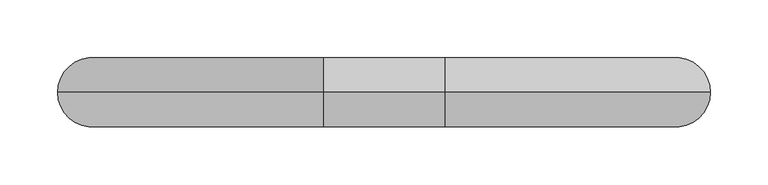
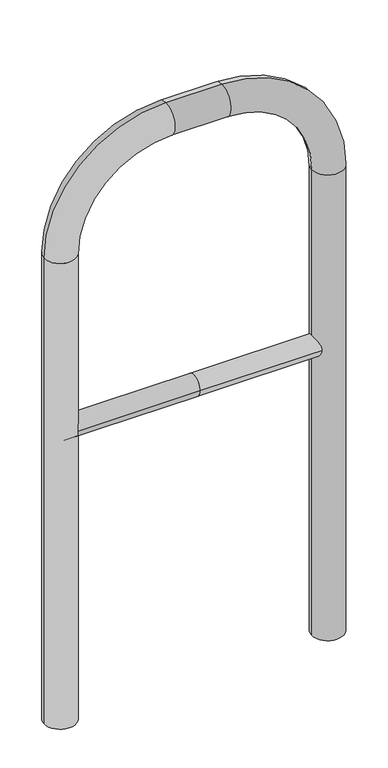
"""IFC4 building model written with IfcOpenShell, lengths in millimetres: proxy geometry."""

from ifc_helpers import new_model, si_unit, point, frame, frame_2d, origin, place, context, project, spatial, circle_curve, ellipse_curve, trimmed, segment, composite_curve, outline, extrude, source, transform, mapped, element, save
from ifc_brep_helpers import plane_surface, cylinder_surface, revolved_surface, advanced_brep


def generic_models_ee2435b5(model_context):
    return source(origin(), model_context, "Body", "SolidModel", [
        extrude(outline(composite_curve([segment(trimmed(circle_curve(frame_2d((0.0, 498.4778375)), 20.0), [point((-20.0, 498.4778375))], [point((20.0, 498.4778375))], False, "CARTESIAN"), True, "CONTINUOUS"), segment(trimmed(circle_curve(frame_2d((0.0, 498.4778375)), 20.0), [point((20.0, 498.4778375))], [point((-20.0, 498.4778375))], False, "CARTESIAN"), True, "CONTINUOUS")], self_intersect=False)), frame((-252.8439892, 0.0, 0.0), z_axis=(1.0, 0.0, 0.0), x_axis=(0.0, 1.0, 0.0)), (0.0, 0.0, 1.0), 252.8439892),
        extrude(outline(composite_curve([segment(trimmed(circle_curve(frame_2d((0.0, 498.4778375)), 20.0), [point((-20.0, 498.4778375))], [point((20.0, 498.4778375))], False, "CARTESIAN"), True, "CONTINUOUS"), segment(trimmed(circle_curve(frame_2d((0.0, 498.4778375)), 20.0), [point((20.0, 498.4778375))], [point((-20.0, 498.4778375))], False, "CARTESIAN"), True, "CONTINUOUS")], self_intersect=False)), frame((0.0, 0.0, 0.0), z_axis=(1.0, 0.0, 0.0), x_axis=(0.0, 1.0, 0.0)), (0.0, 0.0, 1.0), 252.8439892),
        advanced_brep(
        [(-222.8439892, 0.0, -80.0), (-282.8439892, 0.0, -80.0), (-222.8439892, 0.0, 850.0), (-282.8439892, 0.0, 850.0), (-52.8439892, 0.0, 1080.0), (-52.8439892, 0.0, 1020.0), (52.8439892, 0.0, 1020.0), (52.8439892, 0.0, 1080.0), (282.8439892, 0.0, 850.0), (222.8439892, 0.0, 850.0), (222.8439892, 0.0, -80.0), (282.8439892, 0.0, -80.0)],
        [
            (0, 1, circle_curve(frame((-252.8439892, 0.0, -80.0), z_axis=(0.0, 0.0, -1.0), x_axis=(-1.0, 0.0, 0.0)), 30.0)),
            (1, 0, circle_curve(frame((-252.8439892, 0.0, -80.0), z_axis=(0.0, 0.0, -1.0), x_axis=(-1.0, 0.0, 0.0)), 30.0)),
            (0, 2),
            (2, 3, circle_curve(frame((-252.8439892, 0.0, 850.0), z_axis=(0.0, 0.0, -1.0), x_axis=(-1.0, 0.0, 0.0)), 30.0)),
            (3, 1),
            (3, 2, circle_curve(frame((-252.8439892, 0.0, 850.0), z_axis=(0.0, 0.0, -1.0), x_axis=(-1.0, 0.0, 0.0)), 30.0)),
            (4, 3, circle_curve(frame((-52.8439892, 0.0, 850.0), z_axis=(0.0, -1.0, 0.0), x_axis=(-1.0, 0.0, 0.0)), 230.0)),
            (2, 5, circle_curve(frame((-52.8439892, 0.0, 850.0), z_axis=(0.0, 1.0, 0.0), x_axis=(-1.0, 0.0, 0.0)), 170.0)),
            (5, 4, circle_curve(frame((-52.8439892, 0.0, 1050.0), z_axis=(-1.0, 0.0, 0.0), x_axis=(0.0, 0.0, 1.0)), 30.0)),
            (4, 5, circle_curve(frame((-52.8439892, 0.0, 1050.0), z_axis=(-1.0, 0.0, 0.0), x_axis=(0.0, 0.0, 1.0)), 30.0)),
            (5, 6),
            (6, 7, circle_curve(frame((52.8439892, 0.0, 1050.0), z_axis=(-1.0, 0.0, 0.0), x_axis=(0.0, 0.0, 1.0)), 30.0)),
            (7, 4),
            (7, 6, circle_curve(frame((52.8439892, 0.0, 1050.0), z_axis=(-1.0, 0.0, 0.0), x_axis=(0.0, 0.0, 1.0)), 30.0)),
            (8, 7, circle_curve(frame((52.8439892, 0.0, 850.0), z_axis=(0.0, -1.0, 0.0), x_axis=(0.0, 0.0, 1.0)), 230.0)),
            (6, 9, circle_curve(frame((52.8439892, 0.0, 850.0), z_axis=(0.0, 1.0, 0.0), x_axis=(0.0, 0.0, 1.0)), 170.0)),
            (9, 8, circle_curve(frame((252.8439892, 0.0, 850.0), z_axis=(0.0, 0.0, 1.0), x_axis=(1.0, 0.0, 0.0)), 30.0)),
            (8, 9, circle_curve(frame((252.8439892, 0.0, 850.0), z_axis=(0.0, 0.0, 1.0), x_axis=(1.0, 0.0, 0.0)), 30.0)),
            (10, 11, circle_curve(frame((252.8439892, 0.0, -80.0), z_axis=(0.0, 0.0, -1.0), x_axis=(1.0, 0.0, 0.0)), 30.0)),
            (11, 10, circle_curve(frame((252.8439892, 0.0, -80.0), z_axis=(0.0, 0.0, -1.0), x_axis=(1.0, 0.0, 0.0)), 30.0)),
            (9, 10),
            (11, 8),
        ],
        [
            plane_surface(frame((-252.8439892, 0.0, -80.0), z_axis=(0.0, 0.0, -1.0), x_axis=(0.0, -1.0, 0.0))),
            cylinder_surface(frame((-252.8439892, 0.0, -80.0), z_axis=(0.0, 0.0, -1.0), x_axis=(-1.0, 0.0, 0.0)), 30.0),
            revolved_surface(trimmed(ellipse_curve(frame((-252.8439892, 0.0, 850.0), z_axis=(0.0, 0.0, -1.0), x_axis=(-1.0, 0.0, 0.0)), 30.0, 30.0), [point((-222.8439892, 0.0, 850.0))], [point((-282.8439892, 0.0, 850.0))], True, "CARTESIAN"), (-52.8439892, 0.0, 850.0), (0.0, 1.0, 0.0)),
            revolved_surface(trimmed(ellipse_curve(frame((-252.8439892, 0.0, 850.0), z_axis=(0.0, 0.0, -1.0), x_axis=(-1.0, 0.0, 0.0)), 30.0, 30.0), [point((-282.8439892, 0.0, 850.0))], [point((-222.8439892, 0.0, 850.0))], True, "CARTESIAN"), (-52.8439892, 0.0, 850.0), (0.0, 1.0, 0.0)),
            cylinder_surface(frame((-52.8439892, 0.0, 1050.0), z_axis=(-1.0, 0.0, 0.0), x_axis=(0.0, 0.0, 1.0)), 30.0),
            revolved_surface(trimmed(ellipse_curve(frame((52.8439892, 0.0, 1050.0), z_axis=(-1.0, 0.0, 0.0), x_axis=(0.0, 0.0, 1.0)), 30.0, 30.0), [point((52.8439892, 0.0, 1020.0))], [point((52.8439892, 0.0, 1080.0))], True, "CARTESIAN"), (52.8439892, 0.0, 850.0), (0.0, 1.0, 0.0)),
            revolved_surface(trimmed(ellipse_curve(frame((52.8439892, 0.0, 1050.0), z_axis=(-1.0, 0.0, 0.0), x_axis=(0.0, 0.0, 1.0)), 30.0, 30.0), [point((52.8439892, 0.0, 1080.0))], [point((52.8439892, 0.0, 1020.0))], True, "CARTESIAN"), (52.8439892, 0.0, 850.0), (0.0, 1.0, 0.0)),
            plane_surface(frame((252.8439892, 0.0, -80.0), z_axis=(0.0, 0.0, -1.0), x_axis=(0.0, -1.0, 0.0))),
            cylinder_surface(frame((252.8439892, 0.0, 850.0), z_axis=(0.0, 0.0, 1.0), x_axis=(1.0, 0.0, 0.0)), 30.0),
        ],
        [
            (0, [[1, 2]]),
            (1, [[-1, 3, 4, 5]]),
            (1, [[-2, -5, 6, -3]]),
            (2, [[7, -4, 8, 9]]),
            (3, [[-8, -6, -7, 10]]),
            (4, [[-9, 11, 12, 13]]),
            (4, [[-10, -13, 14, -11]]),
            (5, [[15, -12, 16, 17]]),
            (6, [[-16, -14, -15, 18]]),
            (7, [[19, 20]]),
            (8, [[-17, 21, -20, 22]]),
            (8, [[-18, -22, -19, -21]]),
        ],
    ),
    ])


if __name__ == "__main__":
    model = new_model("IFC4")
    model_context = context("Model", 3, world=origin())
    ifc_project = project(units=[si_unit("LENGTHUNIT", "METRE", prefix="MILLI")], contexts=[model_context])
    site = spatial("IfcSite", under=ifc_project)
    building = spatial("IfcBuilding", under=site)
    placement = place(None, origin())
    generic_models_shape = generic_models_ee2435b5(model_context)
    element("IfcBuildingElementProxy", 1, Name="Generic Models", at=placement, inside=building, context=model_context, shape_type="MappedRepresentation", body=[
        mapped(generic_models_shape, transform((0.0, 0.0, 0.0), x_axis=(1.0, 0.0, 0.0), y_axis=(0.0, 1.0, 0.0), z_axis=(0.0, 0.0, 1.0))),
    ])
    save(model, "model.ifc")
